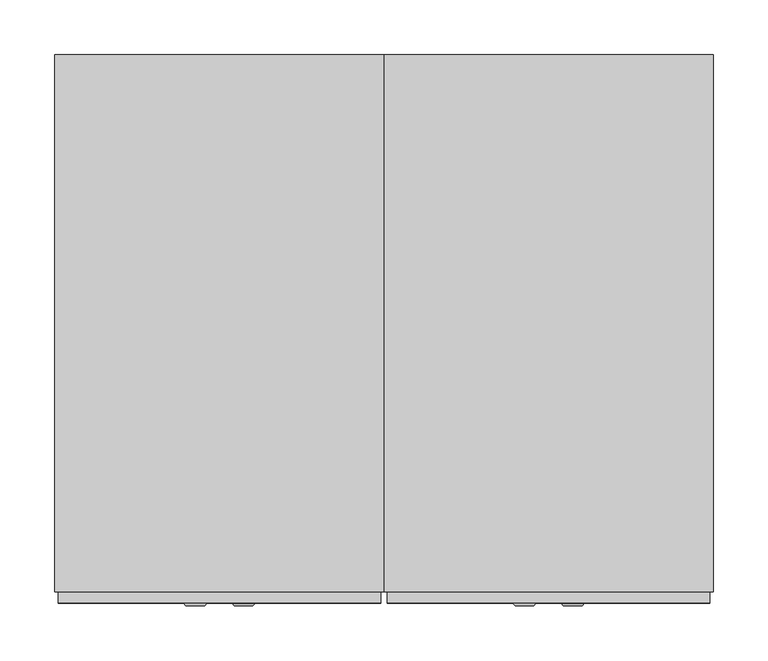
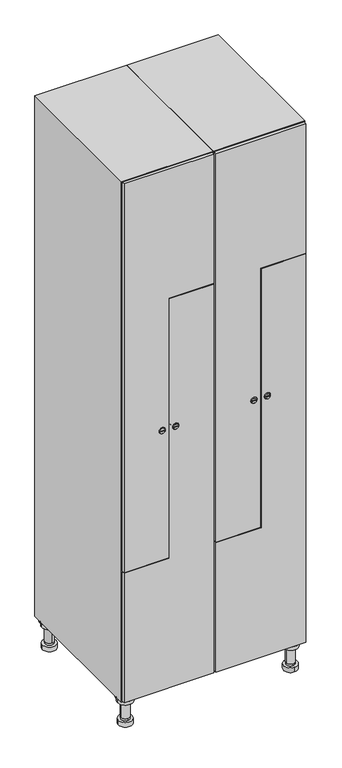
"""IFC4 building model written with IfcOpenShell, lengths in millimetres: furniture geometry."""

import ifcopenshell
import ifcopenshell.guid

model = None  # the IFC model being written
_history = None  # IfcOwnerHistory: only IFC2X3 demands one
_inside = {}  # id of a spatial element -> (the spatial element, [elements in it])
_under = {}  # id of a project, library or spatial element -> (it, [spatial elements below it])
_declared = {}  # id of a project -> (the project, [libraries it declares])
_typed = {}  # id of a type object -> (the type object, [elements of that type])
_made_of = {}  # id of a material, layer set ... -> (it, [elements and type objects made of it])


def new_model(schema):
    """Start an empty IFC model of exactly this schema.

    Asked for "IFC4X3", IfcOpenShell would pick the latest addendum, in which some entities
    have other attributes; the version numbers below select the first issue.
    IFC2X3 requires an IfcOwnerHistory on every rooted entity: one is made here for all.
    """
    global model, _history
    if schema == "IFC4X3":
        model = ifcopenshell.file(schema_version=(4, 3, 0, 0))
    else:
        model = ifcopenshell.file(schema=schema)
    _inside.clear()
    _under.clear()
    _declared.clear()
    _typed.clear()
    _made_of.clear()
    _history = None
    if model.schema == "IFC2X3":
        org = make("IfcOrganization", Name="unknown")
        user = make(
            "IfcPersonAndOrganization",
            ThePerson=make("IfcPerson", FamilyName="unknown"),
            TheOrganization=org,
        )
        app = make(
            "IfcApplication",
            ApplicationDeveloper=org,
            Version="unknown",
            ApplicationFullName="unknown",
            ApplicationIdentifier="unknown",
        )
        _history = make(
            "IfcOwnerHistory",
            OwningUser=user,
            OwningApplication=app,
            ChangeAction="ADDED",
            CreationDate=0,
        )
    return model


def make(cls, **values):
    """One entity of the class cls with the attributes given. An attribute that is None is left unset."""
    return model.create_entity(
        cls, **{name: value for name, value in values.items() if value is not None}
    )


def rooted(cls, **values):
    """An entity with a GlobalId (a new one), such as an element, a storey or a relation."""
    return make(cls, GlobalId=ifcopenshell.guid.new(), OwnerHistory=_history, **values)


def si_unit(unit_type, name, prefix=None):
    """IfcSIUnit, for example si_unit("LENGTHUNIT", "METRE", prefix="MILLI")."""
    return make("IfcSIUnit", UnitType=unit_type, Prefix=prefix, Name=name)


def assignment(units):
    """IfcUnitAssignment: the units of a project."""
    return None if units is None else make("IfcUnitAssignment", Units=units)


def point(xyz):
    """IfcCartesianPoint."""
    return None if xyz is None else make("IfcCartesianPoint", Coordinates=xyz)


def direction(xyz):
    """IfcDirection."""
    return None if xyz is None else make("IfcDirection", DirectionRatios=xyz)


def frame(location, z_axis=None, x_axis=None):
    """IfcAxis2Placement3D, a coordinate frame: its origin and axes. An axis left out is left unset."""
    return make(
        "IfcAxis2Placement3D",
        Location=point(location),
        Axis=direction(z_axis),
        RefDirection=direction(x_axis),
    )


def frame_2d(location, x_axis=None):
    """IfcAxis2Placement2D, a coordinate frame in the plane: its origin and x axis."""
    return make(
        "IfcAxis2Placement2D", Location=point(location), RefDirection=direction(x_axis)
    )


def origin():
    """The frame at (0, 0, 0) with its axes left unset."""
    return frame((0.0, 0.0, 0.0))


def place(relative_to, where):
    """IfcLocalPlacement: puts the frame where relative to a parent placement (None: the world)."""
    return make(
        "IfcLocalPlacement", PlacementRelTo=relative_to, RelativePlacement=where
    )


def context(
    kind, dimensions, precision=None, world=None, true_north=None, identifier=None
):
    """IfcGeometricRepresentationContext, for example the 3D "Model" context."""
    return make(
        "IfcGeometricRepresentationContext",
        ContextIdentifier=identifier,
        ContextType=kind,
        CoordinateSpaceDimension=dimensions,
        Precision=precision,
        WorldCoordinateSystem=world,
        TrueNorth=true_north,
    )


def project(units=None, contexts=None):
    """IfcProject with its units and contexts."""
    return rooted(
        "IfcProject",
        Name="project",
        RepresentationContexts=contexts,
        UnitsInContext=assignment(units),
    )


def spatial(cls, under=None, at=None, **own):
    """A site, building, storey or space (cls), placed at a placement, below another one or the project."""
    s = rooted(cls, ObjectPlacement=at, **own)
    if under is not None:
        _under.setdefault(under.id(), (under, []))[1].append(s)
    return s


def polyline(points):
    """IfcPolyline through the points."""
    return make("IfcPolyline", Points=[point(p) for p in points])


def circle_curve(where, radius):
    """IfcCircle in the frame where."""
    return make("IfcCircle", Position=where, Radius=radius)


def trimmed(basis, trim1, trim2, sense, master):
    """IfcTrimmedCurve: the piece of a basis curve between two trims."""
    return make(
        "IfcTrimmedCurve",
        BasisCurve=basis,
        Trim1=trim1,
        Trim2=trim2,
        SenseAgreement=sense,
        MasterRepresentation=master,
    )


def segment(curve, same_sense, transition):
    """IfcCompositeCurveSegment."""
    return make(
        "IfcCompositeCurveSegment",
        Transition=transition,
        SameSense=same_sense,
        ParentCurve=curve,
    )


def composite_curve(segments, self_intersect=None):
    """IfcCompositeCurve: segments joined end to end."""
    return make("IfcCompositeCurve", Segments=segments, SelfIntersect=self_intersect)


def outline(outer, holes=None, kind="AREA"):
    """IfcArbitraryClosedProfileDef: a profile drawn as a closed curve; with holes, ...WithVoids."""
    if holes is None:
        return make("IfcArbitraryClosedProfileDef", ProfileType=kind, OuterCurve=outer)
    return make(
        "IfcArbitraryProfileDefWithVoids",
        ProfileType=kind,
        OuterCurve=outer,
        InnerCurves=holes,
    )


def extrude(swept, where, along, depth):
    """IfcExtrudedAreaSolid: the profile swept, set in the frame where, extruded along a direction by depth."""
    return make(
        "IfcExtrudedAreaSolid",
        SweptArea=swept,
        Position=where,
        ExtrudedDirection=direction(along),
        Depth=depth,
    )


def faces_of(points, faces, orient=None, outer=None):
    """IfcFace entities. A face is a list of loops; a loop is a list of indices into points, from 0.

    orient and outer hold one flag for each loop. By default every Orientation is true, the
    first loop of a face is its IfcFaceOuterBound and the others are IfcFaceBound.
    """
    made = []
    for i, loops in enumerate(faces):
        bounds = []
        for j, loop in enumerate(loops):
            is_outer = j == 0 if outer is None else outer[i][j]
            bounds.append(
                make(
                    "IfcFaceOuterBound" if is_outer else "IfcFaceBound",
                    Bound=make("IfcPolyLoop", Polygon=[points[k] for k in loop]),
                    Orientation=True if orient is None else orient[i][j],
                )
            )
        made.append(make("IfcFace", Bounds=bounds))
    return made


def faceted_brep(points, faces, orient=None, outer=None, voids=None):
    """IfcFacetedBrep: a solid bounded by flat faces; with voids (closed shells), ...WithVoids."""
    shared = [point(p) for p in points]
    hull = make("IfcClosedShell", CfsFaces=faces_of(shared, faces, orient, outer))
    if voids is None:
        return make("IfcFacetedBrep", Outer=hull)
    return make(
        "IfcFacetedBrepWithVoids",
        Outer=hull,
        Voids=[
            make(cls, CfsFaces=faces_of(shared, fs, o, b)) for cls, fs, o, b in voids
        ],
    )


def shape(context_of_items, identifier, shape_type, items):
    """IfcShapeRepresentation: the items that make up one representation, for example the "Body"."""
    return make(
        "IfcShapeRepresentation",
        ContextOfItems=context_of_items,
        RepresentationIdentifier=identifier,
        RepresentationType=shape_type,
        Items=items,
    )


def source(mapping_origin, context_of_items, identifier, shape_type, items):
    """IfcRepresentationMap: a shape defined once, which mapped items show again and again."""
    return make(
        "IfcRepresentationMap",
        MappingOrigin=mapping_origin,
        MappedRepresentation=shape(context_of_items, identifier, shape_type, items),
    )


def transform(
    local_origin,
    x_axis=None,
    y_axis=None,
    z_axis=None,
    scale=None,
    scale2=None,
    scale3=None,
    uniform=True,
):
    """IfcCartesianTransformationOperator3D, or its non-uniform kind. x_axis, y_axis, z_axis: its Axis1, 2, 3."""
    if uniform:
        return make(
            "IfcCartesianTransformationOperator3D",
            Axis1=direction(x_axis),
            Axis2=direction(y_axis),
            LocalOrigin=point(local_origin),
            Scale=scale,
            Axis3=direction(z_axis),
        )
    return make(
        "IfcCartesianTransformationOperator3DnonUniform",
        Axis1=direction(x_axis),
        Axis2=direction(y_axis),
        LocalOrigin=point(local_origin),
        Scale=scale,
        Axis3=direction(z_axis),
        Scale2=scale2,
        Scale3=scale3,
    )


def mapped(mapping_source, mapping_target):
    """IfcMappedItem: shows the shape of a source again, moved by a transform."""
    return make(
        "IfcMappedItem", MappingSource=mapping_source, MappingTarget=mapping_target
    )


def made_of(thing, what):
    """Note that an element or type object is made of a material, layer set ...; save() writes the relation."""
    if what is not None:
        _made_of.setdefault(what.id(), (what, []))[1].append(thing)
    return thing


def element(
    cls,
    number,
    at=None,
    inside=None,
    cuts=None,
    type_object=None,
    material=None,
    context=None,
    identifier="Body",
    shape_type=None,
    held_by="IfcProductDefinitionShape",
    body=None,
    shapes=None,
    **own,
):
    """One element of the class cls, such as IfcWall. Its Tag is "e" and its number.

    at: its placement. inside: the storey or other place that contains it. cuts: it is an
    opening in that element (IfcRelVoidsElement). A single representation is given by context,
    identifier, shape_type and body (its items); several are given by shapes. held_by: the class
    of the entity that holds the representations. save() writes the other relations.
    """
    e = rooted(cls, Tag="e%d" % number, ObjectPlacement=at, **own)
    if body is not None:
        shapes = [shape(context, identifier, shape_type, body)]
    if shapes is not None:
        e.Representation = make(held_by, Representations=shapes)
    if inside is not None:
        _inside.setdefault(inside.id(), (inside, []))[1].append(e)
    if cuts is not None:
        rooted(
            "IfcRelVoidsElement", RelatingBuildingElement=cuts, RelatedOpeningElement=e
        )
    if type_object is not None:
        _typed.setdefault(type_object.id(), (type_object, []))[1].append(e)
    return made_of(e, material)


def aggregate(whole, parts):
    """IfcRelAggregates: a whole, such as a stair, and the parts it consists of."""
    return rooted("IfcRelAggregates", RelatingObject=whole, RelatedObjects=parts)


def save(model, path):
    """Write the relations noted so far, then the file.

    IfcRelAggregates (storeys below a building ...), IfcRelContainedInSpatialStructure (elements
    in a storey), IfcRelDefinesByType, IfcRelAssociatesMaterial and IfcRelDeclares: one each for
    every whole, place, type object, material and project.
    """
    for whole, parts in _under.values():
        aggregate(whole, parts)
    for where, things in _inside.values():
        rooted(
            "IfcRelContainedInSpatialStructure",
            RelatedElements=things,
            RelatingStructure=where,
        )
    for kind, things in _typed.values():
        rooted("IfcRelDefinesByType", RelatedObjects=things, RelatingType=kind)
    for what, things in _made_of.values():
        rooted("IfcRelAssociatesMaterial", RelatedObjects=things, RelatingMaterial=what)
    for by, libraries in _declared.values():
        rooted("IfcRelDeclares", RelatingContext=by, RelatedDefinitions=libraries)
    model.write(path)


def plane_surface(at):
    """IfcPlane: the flat surface through the origin of the frame at, square to its z axis."""
    return make("IfcPlane", Position=at)


def cylinder_surface(at, radius):
    """IfcCylindricalSurface: all points at the distance radius from the z axis of the frame at."""
    return make("IfcCylindricalSurface", Position=at, Radius=radius)


def revolved_surface(curve, axis_point, axis_direction):
    """IfcSurfaceOfRevolution: the curve turned about the line through axis_point along axis_direction."""
    return make(
        "IfcSurfaceOfRevolution",
        SweptCurve=make("IfcArbitraryOpenProfileDef", ProfileType="CURVE", Curve=curve),
        AxisPosition=make("IfcAxis1Placement", Location=point(axis_point), Axis=direction(axis_direction)),
    )


def advanced_brep(points, edges, surfaces, faces):
    """IfcAdvancedBrep: a solid bounded by faces that lie on surfaces and meet in shared edges.

    An edge is (start, end): straight between two places in points (the first is 0);
    or (start, end, curve); or (start, end, curve, False) where it runs against its curve.
    A face is (place in surfaces, loops), or (place, loops, False) where it looks against
    its surface's normal. A loop lists edges by number (the first is 1), with a minus sign
    where the edge is run from its end to its start. The first loop is the outer one.
    """
    corners = [point(p) for p in points]
    vertices = [make("IfcVertexPoint", VertexGeometry=c) for c in corners]
    made = []
    for start, end, *more in edges:
        made.append(
            make(
                "IfcEdgeCurve",
                EdgeStart=vertices[start],
                EdgeEnd=vertices[end],
                EdgeGeometry=more[0] if more else make("IfcPolyline", Points=[corners[start], corners[end]]),
                SameSense=more[1] if len(more) > 1 else True,
            )
        )
    hull = []
    for where, loops, *sense in faces:
        bounds = []
        for j, loop in enumerate(loops):
            ring = [make("IfcOrientedEdge", EdgeElement=made[abs(k) - 1], Orientation=k > 0) for k in loop]
            bounds.append(
                make(
                    "IfcFaceOuterBound" if j == 0 else "IfcFaceBound",
                    Bound=make("IfcEdgeLoop", EdgeList=ring),
                    Orientation=True,
                )
            )
        hull.append(make("IfcAdvancedFace", Bounds=bounds, FaceSurface=surfaces[where], SameSense=sense[0] if sense else True))
    return make("IfcAdvancedBrep", Outer=make("IfcClosedShell", CfsFaces=hull))


def furniture_0185c521(model_context):
    return source(origin(), model_context, "Body", "SolidModel", [
        advanced_brep(
        [(370.0, -201.0, 22.0), (370.0, -201.5, 16.0), (370.0, -228.5, 16.0), (370.0, -229.0, 22.0), (356.0, -215.0, 22.0), (384.0, -215.0, 22.0), (370.0, -192.5, 16.0), (370.0, -237.5, 16.0), (370.0, -192.5, 0.0), (370.0, -237.5, 0.0), (384.0, -215.0, 78.0), (356.0, -215.0, 78.0), (395.0, -215.0, 78.0), (345.0, -215.0, 78.0), (400.0, -215.0, 94.0), (340.0, -215.0, 94.0), (345.0, -215.0, 94.0), (395.0, -215.0, 94.0), (400.0, -215.0, 100.0), (340.0, -215.0, 100.0)],
        [
            (0, 1),
            (1, 2, circle_curve(frame((370.0, -215.0, 16.0), z_axis=(0.0, 0.0, 1.0), x_axis=(0.0, -1.0, 0.0)), 13.5)),
            (2, 3),
            (3, 4, circle_curve(frame((370.0, -215.0, 22.0), z_axis=(0.0, 0.0, -1.0), x_axis=(0.0, -1.0, 0.0)), 14.0)),
            (4, 0, circle_curve(frame((370.0, -215.0, 22.0), z_axis=(0.0, 0.0, -1.0), x_axis=(0.0, -1.0, 0.0)), 14.0)),
            (0, 5, circle_curve(frame((370.0, -215.0, 22.0), z_axis=(0.0, 0.0, -1.0), x_axis=(0.0, 1.0, 0.0)), 14.0)),
            (5, 3, circle_curve(frame((370.0, -215.0, 22.0), z_axis=(0.0, 0.0, -1.0), x_axis=(0.0, 1.0, 0.0)), 14.0)),
            (2, 1, circle_curve(frame((370.0, -215.0, 16.0), z_axis=(0.0, 0.0, 1.0), x_axis=(0.0, 1.0, 0.0)), 13.5)),
            (6, 7, circle_curve(frame((370.0, -215.0, 16.0), z_axis=(0.0, 0.0, 1.0), x_axis=(0.0, -1.0, 0.0)), 22.5)),
            (7, 6, circle_curve(frame((370.0, -215.0, 16.0), z_axis=(0.0, 0.0, 1.0), x_axis=(0.0, -1.0, 0.0)), 22.5)),
            (8, 9, circle_curve(frame((370.0, -215.0, 0.0), z_axis=(0.0, 0.0, -1.0), x_axis=(0.0, -1.0, 0.0)), 22.5)),
            (9, 8, circle_curve(frame((370.0, -215.0, 0.0), z_axis=(0.0, 0.0, -1.0), x_axis=(0.0, -1.0, 0.0)), 22.5)),
            (6, 8),
            (9, 7),
            (5, 10),
            (10, 11, circle_curve(frame((370.0, -215.0, 78.0), z_axis=(0.0, 0.0, -1.0), x_axis=(-1.0, 0.0, 0.0)), 14.0)),
            (11, 4),
            (11, 10, circle_curve(frame((370.0, -215.0, 78.0), z_axis=(0.0, 0.0, -1.0), x_axis=(-1.0, 0.0, 0.0)), 14.0)),
            (12, 13, circle_curve(frame((370.0, -215.0, 78.0), z_axis=(0.0, 0.0, -1.0), x_axis=(-1.0, 0.0, 0.0)), 25.0)),
            (13, 12, circle_curve(frame((370.0, -215.0, 78.0), z_axis=(0.0, 0.0, -1.0), x_axis=(-1.0, 0.0, 0.0)), 25.0)),
            (14, 15, circle_curve(frame((370.0, -215.0, 94.0), z_axis=(0.0, 0.0, -1.0), x_axis=(-1.0, 0.0, 0.0)), 30.0)),
            (15, 14, circle_curve(frame((370.0, -215.0, 94.0), z_axis=(0.0, 0.0, -1.0), x_axis=(-1.0, 0.0, 0.0)), 30.0)),
            (16, 17, circle_curve(frame((370.0, -215.0, 94.0), z_axis=(0.0, 0.0, 1.0), x_axis=(-1.0, 0.0, 0.0)), 25.0)),
            (17, 16, circle_curve(frame((370.0, -215.0, 94.0), z_axis=(0.0, 0.0, 1.0), x_axis=(-1.0, 0.0, 0.0)), 25.0)),
            (18, 19, circle_curve(frame((370.0, -215.0, 100.0), z_axis=(0.0, 0.0, 1.0), x_axis=(-1.0, 0.0, 0.0)), 30.0)),
            (19, 18, circle_curve(frame((370.0, -215.0, 100.0), z_axis=(0.0, 0.0, 1.0), x_axis=(-1.0, 0.0, 0.0)), 30.0)),
            (14, 18),
            (19, 15),
            (12, 17),
            (16, 13),
        ],
        [
            revolved_surface(polyline([(370.0, -201.5, 16.0), (370.0, -201.0, 22.0)]), (370.0, -215.0, -146.0), (0.0, 0.0, 1.0)),
            plane_surface(frame((370.0, 0.0, 16.0), z_axis=(0.0, 0.0, 1.0), x_axis=(0.0, -1.0, 0.0))),
            plane_surface(frame((370.0, 0.0, 0.0), z_axis=(0.0, 0.0, -1.0), x_axis=(0.0, -1.0, 0.0))),
            cylinder_surface(frame((370.0, -215.0, 16.0), z_axis=(0.0, 0.0, 1.0), x_axis=(0.0, -1.0, 0.0)), 22.5),
            cylinder_surface(frame((370.0, -215.0, 22.0), z_axis=(0.0, 0.0, -1.0), x_axis=(-1.0, 0.0, 0.0)), 14.0),
            plane_surface(frame((370.0, 0.0, 78.0), z_axis=(0.0, 0.0, -1.0), x_axis=(0.0, -1.0, 0.0))),
            plane_surface(frame((370.0, 0.0, 94.0), z_axis=(0.0, 0.0, -1.0), x_axis=(0.0, -1.0, 0.0))),
            plane_surface(frame((370.0, 0.0, 100.0), z_axis=(0.0, 0.0, 1.0), x_axis=(0.0, -1.0, 0.0))),
            cylinder_surface(frame((370.0, -215.0, 94.0), z_axis=(0.0, 0.0, -1.0), x_axis=(-1.0, 0.0, 0.0)), 30.0),
            cylinder_surface(frame((370.0, -215.0, 78.0), z_axis=(0.0, 0.0, -1.0), x_axis=(-1.0, 0.0, 0.0)), 25.0),
        ],
        [
            (0, [[1, 2, 3, 4, 5]]),
            (0, [[-1, 6, 7, -3, 8]]),
            (1, [[9, 10], [-2, -8]]),
            (2, [[11, 12]]),
            (3, [[-9, 13, -12, 14]]),
            (3, [[-10, -14, -11, -13]]),
            (4, [[15, 16, 17, -4, -7]]),
            (4, [[-15, -6, -5, -17, 18]]),
            (5, [[19, 20], [-16, -18]]),
            (6, [[21, 22], [23, 24]]),
            (7, [[25, 26]]),
            (8, [[-21, 27, -26, 28]]),
            (8, [[-22, -28, -25, -27]]),
            (9, [[-19, 29, -23, 30]]),
            (9, [[-20, -30, -24, -29]]),
        ],
    ),
        advanced_brep(
        [(-170.0, -201.0, 22.0), (-170.0, -201.5, 16.0), (-170.0, -228.5, 16.0), (-170.0, -229.0, 22.0), (-184.0, -215.0, 22.0), (-156.0, -215.0, 22.0), (-147.5, -215.0, 0.0), (-192.5, -215.0, 0.0), (-147.5, -215.0, 16.0), (-192.5, -215.0, 16.0), (-156.0, -215.0, 78.0), (-184.0, -215.0, 78.0), (-145.0, -215.0, 78.0), (-195.0, -215.0, 78.0), (-140.0, -215.0, 94.0), (-200.0, -215.0, 94.0), (-195.0, -215.0, 94.0), (-145.0, -215.0, 94.0), (-140.0, -215.0, 100.0), (-200.0, -215.0, 100.0)],
        [
            (0, 1),
            (1, 2, circle_curve(frame((-170.0, -215.0, 16.0), z_axis=(0.0, 0.0, 1.0), x_axis=(0.0, -1.0, 0.0)), 13.5)),
            (2, 3),
            (3, 4, circle_curve(frame((-170.0, -215.0, 22.0), z_axis=(0.0, 0.0, -1.0), x_axis=(0.0, -1.0, 0.0)), 14.0)),
            (4, 0, circle_curve(frame((-170.0, -215.0, 22.0), z_axis=(0.0, 0.0, -1.0), x_axis=(0.0, -1.0, 0.0)), 14.0)),
            (0, 5, circle_curve(frame((-170.0, -215.0, 22.0), z_axis=(0.0, 0.0, -1.0), x_axis=(0.0, 1.0, 0.0)), 14.0)),
            (5, 3, circle_curve(frame((-170.0, -215.0, 22.0), z_axis=(0.0, 0.0, -1.0), x_axis=(0.0, 1.0, 0.0)), 14.0)),
            (2, 1, circle_curve(frame((-170.0, -215.0, 16.0), z_axis=(0.0, 0.0, 1.0), x_axis=(0.0, 1.0, 0.0)), 13.5)),
            (6, 7, circle_curve(frame((-170.0, -215.0, 0.0), z_axis=(0.0, 0.0, -1.0), x_axis=(-1.0, 0.0, 0.0)), 22.5)),
            (7, 6, circle_curve(frame((-170.0, -215.0, 0.0), z_axis=(0.0, 0.0, -1.0), x_axis=(-1.0, 0.0, 0.0)), 22.5)),
            (8, 9, circle_curve(frame((-170.0, -215.0, 16.0), z_axis=(0.0, 0.0, 1.0), x_axis=(-1.0, 0.0, 0.0)), 22.5)),
            (9, 8, circle_curve(frame((-170.0, -215.0, 16.0), z_axis=(0.0, 0.0, 1.0), x_axis=(-1.0, 0.0, 0.0)), 22.5)),
            (6, 8),
            (9, 7),
            (5, 10),
            (10, 11, circle_curve(frame((-170.0, -215.0, 78.0), z_axis=(0.0, 0.0, -1.0), x_axis=(-1.0, 0.0, 0.0)), 14.0)),
            (11, 4),
            (11, 10, circle_curve(frame((-170.0, -215.0, 78.0), z_axis=(0.0, 0.0, -1.0), x_axis=(-1.0, 0.0, 0.0)), 14.0)),
            (12, 13, circle_curve(frame((-170.0, -215.0, 78.0), z_axis=(0.0, 0.0, -1.0), x_axis=(-1.0, 0.0, 0.0)), 25.0)),
            (13, 12, circle_curve(frame((-170.0, -215.0, 78.0), z_axis=(0.0, 0.0, -1.0), x_axis=(-1.0, 0.0, 0.0)), 25.0)),
            (14, 15, circle_curve(frame((-170.0, -215.0, 94.0), z_axis=(0.0, 0.0, -1.0), x_axis=(-1.0, 0.0, 0.0)), 30.0)),
            (15, 14, circle_curve(frame((-170.0, -215.0, 94.0), z_axis=(0.0, 0.0, -1.0), x_axis=(-1.0, 0.0, 0.0)), 30.0)),
            (16, 17, circle_curve(frame((-170.0, -215.0, 94.0), z_axis=(0.0, 0.0, 1.0), x_axis=(-1.0, 0.0, 0.0)), 25.0)),
            (17, 16, circle_curve(frame((-170.0, -215.0, 94.0), z_axis=(0.0, 0.0, 1.0), x_axis=(-1.0, 0.0, 0.0)), 25.0)),
            (18, 19, circle_curve(frame((-170.0, -215.0, 100.0), z_axis=(0.0, 0.0, 1.0), x_axis=(-1.0, 0.0, 0.0)), 30.0)),
            (19, 18, circle_curve(frame((-170.0, -215.0, 100.0), z_axis=(0.0, 0.0, 1.0), x_axis=(-1.0, 0.0, 0.0)), 30.0)),
            (14, 18),
            (19, 15),
            (12, 17),
            (16, 13),
        ],
        [
            revolved_surface(polyline([(-170.0, -201.5, 16.0), (-170.0, -201.0, 22.0)]), (-170.0, -215.0, -146.0), (0.0, 0.0, 1.0)),
            plane_surface(frame((-170.0, 0.0, 0.0), z_axis=(0.0, 0.0, -1.0), x_axis=(0.0, -1.0, 0.0))),
            plane_surface(frame((-170.0, 0.0, 16.0), z_axis=(0.0, 0.0, 1.0), x_axis=(0.0, -1.0, 0.0))),
            cylinder_surface(frame((-170.0, -215.0, 0.0), z_axis=(0.0, 0.0, -1.0), x_axis=(-1.0, 0.0, 0.0)), 22.5),
            cylinder_surface(frame((-170.0, -215.0, 22.0), z_axis=(0.0, 0.0, -1.0), x_axis=(-1.0, 0.0, 0.0)), 14.0),
            plane_surface(frame((-170.0, 0.0, 78.0), z_axis=(0.0, 0.0, -1.0), x_axis=(0.0, -1.0, 0.0))),
            plane_surface(frame((-170.0, 0.0, 94.0), z_axis=(0.0, 0.0, -1.0), x_axis=(0.0, -1.0, 0.0))),
            plane_surface(frame((-170.0, 0.0, 100.0), z_axis=(0.0, 0.0, 1.0), x_axis=(0.0, -1.0, 0.0))),
            cylinder_surface(frame((-170.0, -215.0, 94.0), z_axis=(0.0, 0.0, -1.0), x_axis=(-1.0, 0.0, 0.0)), 30.0),
            cylinder_surface(frame((-170.0, -215.0, 78.0), z_axis=(0.0, 0.0, -1.0), x_axis=(-1.0, 0.0, 0.0)), 25.0),
        ],
        [
            (0, [[1, 2, 3, 4, 5]]),
            (0, [[-1, 6, 7, -3, 8]]),
            (1, [[9, 10]]),
            (2, [[11, 12], [-2, -8]]),
            (3, [[-9, 13, -12, 14]]),
            (3, [[-10, -14, -11, -13]]),
            (4, [[15, 16, 17, -4, -7]]),
            (4, [[-15, -6, -5, -17, 18]]),
            (5, [[19, 20], [-16, -18]]),
            (6, [[21, 22], [23, 24]]),
            (7, [[25, 26]]),
            (8, [[-21, 27, -26, 28]]),
            (8, [[-22, -28, -25, -27]]),
            (9, [[-19, 29, -23, 30]]),
            (9, [[-20, -30, -24, -29]]),
        ],
    ),
        advanced_brep(
        [(383.5, 215.0, 16.0), (384.0, 215.0, 22.0), (356.0, 215.0, 22.0), (356.5, 215.0, 16.0), (392.5, 215.0, 0.0), (347.5, 215.0, 0.0), (392.5, 215.0, 16.0), (347.5, 215.0, 16.0), (384.0, 215.0, 78.0), (356.0, 215.0, 78.0), (395.0, 215.0, 78.0), (345.0, 215.0, 78.0), (400.0, 215.0, 94.0), (340.0, 215.0, 94.0), (345.0, 215.0, 94.0), (395.0, 215.0, 94.0), (400.0, 215.0, 100.0), (340.0, 215.0, 100.0)],
        [
            (0, 1),
            (1, 2, circle_curve(frame((370.0, 215.0, 22.0), z_axis=(0.0, 0.0, -1.0), x_axis=(-1.0, 0.0, 0.0)), 14.0)),
            (2, 3),
            (3, 0, circle_curve(frame((370.0, 215.0, 16.0), z_axis=(0.0, 0.0, 1.0), x_axis=(-1.0, 0.0, 0.0)), 13.5)),
            (0, 3, circle_curve(frame((370.0, 215.0, 16.0), z_axis=(0.0, 0.0, 1.0), x_axis=(1.0, 0.0, 0.0)), 13.5)),
            (2, 1, circle_curve(frame((370.0, 215.0, 22.0), z_axis=(0.0, 0.0, -1.0), x_axis=(1.0, 0.0, 0.0)), 14.0)),
            (4, 5, circle_curve(frame((370.0, 215.0, 0.0), z_axis=(0.0, 0.0, -1.0), x_axis=(-1.0, 0.0, 0.0)), 22.5)),
            (5, 4, circle_curve(frame((370.0, 215.0, 0.0), z_axis=(0.0, 0.0, -1.0), x_axis=(-1.0, 0.0, 0.0)), 22.5)),
            (6, 7, circle_curve(frame((370.0, 215.0, 16.0), z_axis=(0.0, 0.0, 1.0), x_axis=(-1.0, 0.0, 0.0)), 22.5)),
            (7, 6, circle_curve(frame((370.0, 215.0, 16.0), z_axis=(0.0, 0.0, 1.0), x_axis=(-1.0, 0.0, 0.0)), 22.5)),
            (4, 6),
            (7, 5),
            (1, 8),
            (8, 9, circle_curve(frame((370.0, 215.0, 78.0), z_axis=(0.0, 0.0, -1.0), x_axis=(-1.0, 0.0, 0.0)), 14.0)),
            (9, 2),
            (9, 8, circle_curve(frame((370.0, 215.0, 78.0), z_axis=(0.0, 0.0, -1.0), x_axis=(-1.0, 0.0, 0.0)), 14.0)),
            (10, 11, circle_curve(frame((370.0, 215.0, 78.0), z_axis=(0.0, 0.0, -1.0), x_axis=(-1.0, 0.0, 0.0)), 25.0)),
            (11, 10, circle_curve(frame((370.0, 215.0, 78.0), z_axis=(0.0, 0.0, -1.0), x_axis=(-1.0, 0.0, 0.0)), 25.0)),
            (12, 13, circle_curve(frame((370.0, 215.0, 94.0), z_axis=(0.0, 0.0, -1.0), x_axis=(-1.0, 0.0, 0.0)), 30.0)),
            (13, 12, circle_curve(frame((370.0, 215.0, 94.0), z_axis=(0.0, 0.0, -1.0), x_axis=(-1.0, 0.0, 0.0)), 30.0)),
            (14, 15, circle_curve(frame((370.0, 215.0, 94.0), z_axis=(0.0, 0.0, 1.0), x_axis=(-1.0, 0.0, 0.0)), 25.0)),
            (15, 14, circle_curve(frame((370.0, 215.0, 94.0), z_axis=(0.0, 0.0, 1.0), x_axis=(-1.0, 0.0, 0.0)), 25.0)),
            (16, 17, circle_curve(frame((370.0, 215.0, 100.0), z_axis=(0.0, 0.0, 1.0), x_axis=(-1.0, 0.0, 0.0)), 30.0)),
            (17, 16, circle_curve(frame((370.0, 215.0, 100.0), z_axis=(0.0, 0.0, 1.0), x_axis=(-1.0, 0.0, 0.0)), 30.0)),
            (12, 16),
            (17, 13),
            (10, 15),
            (14, 11),
        ],
        [
            revolved_surface(polyline([(383.5, 215.0, 16.0), (384.0, 215.0, 22.0)]), (370.0, 215.0, -146.0), (0.0, 0.0, 1.0)),
            plane_surface(frame((370.0, 0.0, 0.0), z_axis=(0.0, 0.0, -1.0), x_axis=(0.0, -1.0, 0.0))),
            plane_surface(frame((370.0, 0.0, 16.0), z_axis=(0.0, 0.0, 1.0), x_axis=(0.0, -1.0, 0.0))),
            cylinder_surface(frame((370.0, 215.0, 0.0), z_axis=(0.0, 0.0, -1.0), x_axis=(-1.0, 0.0, 0.0)), 22.5),
            cylinder_surface(frame((370.0, 215.0, 22.0), z_axis=(0.0, 0.0, -1.0), x_axis=(-1.0, 0.0, 0.0)), 14.0),
            plane_surface(frame((370.0, 0.0, 78.0), z_axis=(0.0, 0.0, -1.0), x_axis=(0.0, -1.0, 0.0))),
            plane_surface(frame((370.0, 0.0, 94.0), z_axis=(0.0, 0.0, -1.0), x_axis=(0.0, -1.0, 0.0))),
            plane_surface(frame((370.0, 0.0, 100.0), z_axis=(0.0, 0.0, 1.0), x_axis=(0.0, -1.0, 0.0))),
            cylinder_surface(frame((370.0, 215.0, 94.0), z_axis=(0.0, 0.0, -1.0), x_axis=(-1.0, 0.0, 0.0)), 30.0),
            cylinder_surface(frame((370.0, 215.0, 78.0), z_axis=(0.0, 0.0, -1.0), x_axis=(-1.0, 0.0, 0.0)), 25.0),
        ],
        [
            (0, [[1, 2, 3, 4]]),
            (0, [[-1, 5, -3, 6]]),
            (1, [[7, 8]]),
            (2, [[9, 10], [-4, -5]]),
            (3, [[-7, 11, -10, 12]]),
            (3, [[-8, -12, -9, -11]]),
            (4, [[13, 14, 15, -2]]),
            (4, [[-13, -6, -15, 16]]),
            (5, [[17, 18], [-14, -16]]),
            (6, [[19, 20], [21, 22]]),
            (7, [[23, 24]]),
            (8, [[-19, 25, -24, 26]]),
            (8, [[-20, -26, -23, -25]]),
            (9, [[-17, 27, -21, 28]]),
            (9, [[-18, -28, -22, -27]]),
        ],
    ),
        advanced_brep(
        [(-156.5, 215.0, 16.0), (-156.0, 215.0, 22.0), (-170.0, 201.0, 22.0), (-184.0, 215.0, 22.0), (-183.5, 215.0, 16.0), (-170.0, 229.0, 22.0), (-147.5, 215.0, 0.0), (-192.5, 215.0, 0.0), (-147.5, 215.0, 16.0), (-192.5, 215.0, 16.0), (-170.0, 229.0, 78.0), (-170.0, 201.0, 78.0), (-145.0, 215.0, 78.0), (-195.0, 215.0, 78.0), (-140.0, 215.0, 94.0), (-200.0, 215.0, 94.0), (-195.0, 215.0, 94.0), (-145.0, 215.0, 94.0), (-140.0, 215.0, 100.0), (-200.0, 215.0, 100.0)],
        [
            (0, 1),
            (1, 2, circle_curve(frame((-170.0, 215.0, 22.0), z_axis=(0.0, 0.0, -1.0), x_axis=(-1.0, 0.0, 0.0)), 14.0)),
            (2, 3, circle_curve(frame((-170.0, 215.0, 22.0), z_axis=(0.0, 0.0, -1.0), x_axis=(-1.0, 0.0, 0.0)), 14.0)),
            (3, 4),
            (4, 0, circle_curve(frame((-170.0, 215.0, 16.0), z_axis=(0.0, 0.0, 1.0), x_axis=(-1.0, 0.0, 0.0)), 13.5)),
            (0, 4, circle_curve(frame((-170.0, 215.0, 16.0), z_axis=(0.0, 0.0, 1.0), x_axis=(1.0, 0.0, 0.0)), 13.5)),
            (3, 5, circle_curve(frame((-170.0, 215.0, 22.0), z_axis=(0.0, 0.0, -1.0), x_axis=(1.0, 0.0, 0.0)), 14.0)),
            (5, 1, circle_curve(frame((-170.0, 215.0, 22.0), z_axis=(0.0, 0.0, -1.0), x_axis=(1.0, 0.0, 0.0)), 14.0)),
            (6, 7, circle_curve(frame((-170.0, 215.0, 0.0), z_axis=(0.0, 0.0, -1.0), x_axis=(-1.0, 0.0, 0.0)), 22.5)),
            (7, 6, circle_curve(frame((-170.0, 215.0, 0.0), z_axis=(0.0, 0.0, -1.0), x_axis=(-1.0, 0.0, 0.0)), 22.5)),
            (8, 9, circle_curve(frame((-170.0, 215.0, 16.0), z_axis=(0.0, 0.0, 1.0), x_axis=(-1.0, 0.0, 0.0)), 22.5)),
            (9, 8, circle_curve(frame((-170.0, 215.0, 16.0), z_axis=(0.0, 0.0, 1.0), x_axis=(-1.0, 0.0, 0.0)), 22.5)),
            (6, 8),
            (9, 7),
            (10, 5),
            (2, 11),
            (11, 10, circle_curve(frame((-170.0, 215.0, 78.0), z_axis=(0.0, 0.0, -1.0), x_axis=(0.0, -1.0, 0.0)), 14.0)),
            (10, 11, circle_curve(frame((-170.0, 215.0, 78.0), z_axis=(0.0, 0.0, -1.0), x_axis=(0.0, -1.0, 0.0)), 14.0)),
            (12, 13, circle_curve(frame((-170.0, 215.0, 78.0), z_axis=(0.0, 0.0, -1.0), x_axis=(-1.0, 0.0, 0.0)), 25.0)),
            (13, 12, circle_curve(frame((-170.0, 215.0, 78.0), z_axis=(0.0, 0.0, -1.0), x_axis=(-1.0, 0.0, 0.0)), 25.0)),
            (14, 15, circle_curve(frame((-170.0, 215.0, 94.0), z_axis=(0.0, 0.0, -1.0), x_axis=(-1.0, 0.0, 0.0)), 30.0)),
            (15, 14, circle_curve(frame((-170.0, 215.0, 94.0), z_axis=(0.0, 0.0, -1.0), x_axis=(-1.0, 0.0, 0.0)), 30.0)),
            (16, 17, circle_curve(frame((-170.0, 215.0, 94.0), z_axis=(0.0, 0.0, 1.0), x_axis=(-1.0, 0.0, 0.0)), 25.0)),
            (17, 16, circle_curve(frame((-170.0, 215.0, 94.0), z_axis=(0.0, 0.0, 1.0), x_axis=(-1.0, 0.0, 0.0)), 25.0)),
            (18, 19, circle_curve(frame((-170.0, 215.0, 100.0), z_axis=(0.0, 0.0, 1.0), x_axis=(-1.0, 0.0, 0.0)), 30.0)),
            (19, 18, circle_curve(frame((-170.0, 215.0, 100.0), z_axis=(0.0, 0.0, 1.0), x_axis=(-1.0, 0.0, 0.0)), 30.0)),
            (14, 18),
            (19, 15),
            (12, 17),
            (16, 13),
        ],
        [
            revolved_surface(polyline([(-156.5, 215.0, 16.0), (-156.0, 215.0, 22.0)]), (-170.0, 215.0, -146.0), (0.0, 0.0, 1.0)),
            plane_surface(frame((-170.0, 0.0, 0.0), z_axis=(0.0, 0.0, -1.0), x_axis=(0.0, -1.0, 0.0))),
            plane_surface(frame((-170.0, 0.0, 16.0), z_axis=(0.0, 0.0, 1.0), x_axis=(0.0, -1.0, 0.0))),
            cylinder_surface(frame((-170.0, 215.0, 0.0), z_axis=(0.0, 0.0, -1.0), x_axis=(-1.0, 0.0, 0.0)), 22.5),
            cylinder_surface(frame((-170.0, 215.0, 78.0), z_axis=(0.0, 0.0, 1.0), x_axis=(0.0, -1.0, 0.0)), 14.0),
            plane_surface(frame((-170.0, 0.0, 78.0), z_axis=(0.0, 0.0, -1.0), x_axis=(0.0, -1.0, 0.0))),
            plane_surface(frame((-170.0, 0.0, 94.0), z_axis=(0.0, 0.0, -1.0), x_axis=(0.0, -1.0, 0.0))),
            plane_surface(frame((-170.0, 0.0, 100.0), z_axis=(0.0, 0.0, 1.0), x_axis=(0.0, -1.0, 0.0))),
            cylinder_surface(frame((-170.0, 215.0, 94.0), z_axis=(0.0, 0.0, -1.0), x_axis=(-1.0, 0.0, 0.0)), 30.0),
            cylinder_surface(frame((-170.0, 215.0, 78.0), z_axis=(0.0, 0.0, -1.0), x_axis=(-1.0, 0.0, 0.0)), 25.0),
        ],
        [
            (0, [[1, 2, 3, 4, 5]]),
            (0, [[-1, 6, -4, 7, 8]]),
            (1, [[9, 10]]),
            (2, [[11, 12], [-5, -6]]),
            (3, [[-9, 13, -12, 14]]),
            (3, [[-10, -14, -11, -13]]),
            (4, [[15, -7, -3, 16, 17]]),
            (4, [[-15, 18, -16, -2, -8]]),
            (5, [[19, 20], [-17, -18]]),
            (6, [[21, 22], [23, 24]]),
            (7, [[25, 26]]),
            (8, [[-21, 27, -26, 28]]),
            (8, [[-22, -28, -25, -27]]),
            (9, [[-19, 29, -23, 30]]),
            (9, [[-20, -30, -24, -29]]),
        ],
    ),
        extrude(outline(composite_curve([segment(trimmed(circle_curve(frame_2d((1000.0, 254.7989466)), 7.0), [point((993.0, 254.7989466))], [point((1007.0, 254.7989466))], False, "CARTESIAN"), True, "CONTINUOUS"), segment(polyline([(1007.0, 254.7989466), (1007.0, 226.7989466)]), True, "CONTINUOUS"), segment(trimmed(circle_curve(frame_2d((1000.0, 226.7989466)), 7.0), [point((1007.0, 226.7989466))], [point((993.0, 226.7989466))], False, "CARTESIAN"), True, "CONTINUOUS"), segment(polyline([(993.0, 226.7989466), (993.0, 254.7989466)]), True, "CONTINUOUS")], self_intersect=False)), frame((0.0, -245.0, 0.0), z_axis=(0.0, 1.0, 0.0), x_axis=(0.0, 0.0, 1.0)), (0.0, 0.0, 1.0), 2.0),
        advanced_brep(
        [(219.5, -257.2, 1000.0), (236.5, -257.2, 1000.0), (233.0, -257.2, 1001.25), (233.0, -257.2, 998.75), (223.0, -257.2, 998.75), (223.0, -257.2, 1001.25), (217.5, -255.0, 1000.0), (238.5, -255.0, 1000.0), (233.0, -255.0, 998.75), (233.0, -255.0, 1001.25), (223.0, -255.0, 1001.25), (223.0, -255.0, 998.75)],
        [
            (0, 1, circle_curve(frame((228.0, -257.2, 1000.0), z_axis=(0.0, -1.0, 0.0), x_axis=(-1.0, 0.0, 0.0)), 8.5)),
            (1, 0, circle_curve(frame((228.0, -257.2, 1000.0), z_axis=(0.0, -1.0, 0.0), x_axis=(1.0, 0.0, 0.0)), 8.5)),
            (2, 3),
            (3, 4),
            (4, 5),
            (5, 2),
            (6, 7, circle_curve(frame((228.0, -255.0, 1000.0), z_axis=(0.0, 1.0, 0.0), x_axis=(1.0, 0.0, 0.0)), 10.5)),
            (7, 6, circle_curve(frame((228.0, -255.0, 1000.0), z_axis=(0.0, 1.0, 0.0), x_axis=(-1.0, 0.0, 0.0)), 10.5)),
            (8, 9),
            (9, 10),
            (10, 11),
            (11, 8),
            (0, 6),
            (7, 1),
            (8, 3),
            (2, 9),
            (11, 4),
            (10, 5),
        ],
        [
            plane_surface(frame((228.0, -257.2, 1000.0), z_axis=(0.0, -1.0, 0.0), x_axis=(0.0, 0.0, -1.0))),
            plane_surface(frame((228.0, -255.0, 1000.0), z_axis=(0.0, 1.0, 0.0), x_axis=(0.0, 0.0, -1.0))),
            revolved_surface(polyline([(219.5, -257.2, 1000.0), (217.5, -255.0, 1000.0)]), (228.0, -266.55, 1000.0), (0.0, 1.0, 0.0)),
            revolved_surface(polyline([(236.5, -257.2, 1000.0), (238.5, -255.0, 1000.0)]), (228.0, -266.55, 1000.0), (0.0, 1.0, 0.0)),
            plane_surface(frame((233.0, -255.0, 1001.25), z_axis=(-1.0, 0.0, 0.0), x_axis=(0.0, -1.0, 0.0))),
            plane_surface(frame((233.0, -255.0, 998.75), z_axis=(0.0, 0.0, 1.0), x_axis=(0.0, -1.0, 0.0))),
            plane_surface(frame((223.0, -255.0, 998.75), z_axis=(1.0, 0.0, 0.0), x_axis=(0.0, -1.0, 0.0))),
            plane_surface(frame((223.0, -255.0, 1001.25), z_axis=(0.0, 0.0, -1.0), x_axis=(0.0, -1.0, 0.0))),
        ],
        [
            (0, [[1, 2], [3, 4, 5, 6]]),
            (1, [[7, 8], [9, 10, 11, 12]]),
            (2, [[-1, 13, -8, 14]]),
            (3, [[-2, -14, -7, -13]]),
            (4, [[15, -3, 16, -9]]),
            (5, [[-15, -12, 17, -4]]),
            (6, [[-17, -11, 18, -5]]),
            (7, [[-16, -6, -18, -10]]),
        ],
    ),
        extrude(outline(polyline([(1897.0, 103.0), (553.0, 103.0), (553.0, 248.5), (1450.0, 248.5), (1450.0, 397.0), (1897.0, 397.0), (1897.0, 103.0)])), frame((0.0, -255.0, 0.0), z_axis=(0.0, 1.0, 0.0), x_axis=(0.0, 0.0, 1.0)), (0.0, 0.0, 1.0), 10.0),
        extrude(outline(composite_curve([segment(trimmed(circle_curve(frame_2d((1000.0, 245.2010534)), 7.0), [point((1007.0, 245.2010534))], [point((993.0, 245.2010534))], False, "CARTESIAN"), True, "CONTINUOUS"), segment(polyline([(993.0, 245.2010534), (993.0, 273.2010534)]), True, "CONTINUOUS"), segment(trimmed(circle_curve(frame_2d((1000.0, 273.2010534)), 7.0), [point((993.0, 273.2010534))], [point((1007.0, 273.2010534))], False, "CARTESIAN"), True, "CONTINUOUS"), segment(polyline([(1007.0, 273.2010534), (1007.0, 245.2010534)]), True, "CONTINUOUS")], self_intersect=False)), frame((0.0, -245.0, 0.0), z_axis=(0.0, 1.0, 0.0), x_axis=(0.0, 0.0, 1.0)), (0.0, 0.0, 1.0), 2.0),
        advanced_brep(
        [(280.5, -257.2, 1000.0), (263.5, -257.2, 1000.0), (267.0, -257.2, 998.75), (267.0, -257.2, 1001.25), (277.0, -257.2, 1001.25), (277.0, -257.2, 998.75), (282.5, -255.0, 1000.0), (261.5, -255.0, 1000.0), (267.0, -255.0, 1001.25), (267.0, -255.0, 998.75), (277.0, -255.0, 998.75), (277.0, -255.0, 1001.25)],
        [
            (0, 1, circle_curve(frame((272.0, -257.2, 1000.0), z_axis=(0.0, -1.0, 0.0), x_axis=(1.0, 0.0, 0.0)), 8.5)),
            (1, 0, circle_curve(frame((272.0, -257.2, 1000.0), z_axis=(0.0, -1.0, 0.0), x_axis=(-1.0, 0.0, 0.0)), 8.5)),
            (2, 3),
            (3, 4),
            (4, 5),
            (5, 2),
            (6, 7, circle_curve(frame((272.0, -255.0, 1000.0), z_axis=(0.0, 1.0, 0.0), x_axis=(-1.0, 0.0, 0.0)), 10.5)),
            (7, 6, circle_curve(frame((272.0, -255.0, 1000.0), z_axis=(0.0, 1.0, 0.0), x_axis=(1.0, 0.0, 0.0)), 10.5)),
            (8, 9),
            (9, 10),
            (10, 11),
            (11, 8),
            (0, 6),
            (7, 1),
            (8, 3),
            (2, 9),
            (11, 4),
            (10, 5),
        ],
        [
            plane_surface(frame((272.0, -257.2, 1000.0), z_axis=(0.0, -1.0, 0.0), x_axis=(0.0, 0.0, 1.0))),
            plane_surface(frame((272.0, -255.0, 1000.0), z_axis=(0.0, 1.0, 0.0), x_axis=(0.0, 0.0, 1.0))),
            revolved_surface(polyline([(280.5, -257.2, 1000.0), (282.5, -255.0, 1000.0)]), (272.0, -266.55, 1000.0), (0.0, 1.0, 0.0)),
            revolved_surface(polyline([(263.5, -257.2, 1000.0), (261.5, -255.0, 1000.0)]), (272.0, -266.55, 1000.0), (0.0, 1.0, 0.0)),
            plane_surface(frame((267.0, -255.0, 998.75), z_axis=(1.0, 0.0, 0.0), x_axis=(0.0, -1.0, 0.0))),
            plane_surface(frame((267.0, -255.0, 1001.25), z_axis=(0.0, 0.0, -1.0), x_axis=(0.0, -1.0, 0.0))),
            plane_surface(frame((277.0, -255.0, 1001.25), z_axis=(-1.0, 0.0, 0.0), x_axis=(0.0, -1.0, 0.0))),
            plane_surface(frame((277.0, -255.0, 998.75), z_axis=(0.0, 0.0, 1.0), x_axis=(0.0, -1.0, 0.0))),
        ],
        [
            (0, [[1, 2], [3, 4, 5, 6]]),
            (1, [[7, 8], [9, 10, 11, 12]]),
            (2, [[-1, 13, -8, 14]]),
            (3, [[-2, -14, -7, -13]]),
            (4, [[15, -3, 16, -9]]),
            (5, [[-15, -12, 17, -4]]),
            (6, [[-17, -11, 18, -5]]),
            (7, [[-16, -6, -18, -10]]),
        ],
    ),
        extrude(outline(polyline([(103.0, 397.0), (1447.0, 397.0), (1447.0, 251.5), (550.0, 251.5), (550.0, 103.0), (103.0, 103.0), (103.0, 397.0)])), frame((0.0, -255.0, 0.0), z_axis=(0.0, 1.0, 0.0), x_axis=(0.0, 0.0, 1.0)), (0.0, 0.0, 1.0), 10.0),
        extrude(outline(polyline([(1443.5, 390.0), (1453.5, 390.0), (1453.5, 245.0), (556.5, 245.0), (556.5, 110.0), (546.5, 110.0), (546.5, 255.0), (1443.5, 255.0), (1443.5, 390.0)])), frame((0.0, -245.0, 0.0), z_axis=(0.0, 1.0, 0.0), x_axis=(0.0, 0.0, 1.0)), (0.0, 0.0, 1.0), 486.0),
        faceted_brep([(400.0, -245.0, 100.0), (400.0, -245.0, 1900.0), (100.0, -245.0, 1900.0), (100.0, -245.0, 100.0), (390.0, -245.0, 1890.0), (390.0, -245.0, 110.0), (110.0, -245.0, 110.0), (110.0, -245.0, 1890.0), (400.0, 245.0, 100.0), (100.0, 245.0, 100.0), (400.0, 245.0, 1900.0), (100.0, 245.0, 1900.0), (390.0, 241.0, 1890.0), (390.0, 241.0, 110.0), (100.0, 245.0, 1890.0), (110.0, 241.0, 1890.0), (110.0, 241.0, 110.0)], [[[0, 1, 2, 3], [4, 5, 6, 7]], [[8, 0, 3, 9]], [[1, 0, 8, 10]], [[1, 10, 11, 2]], [[4, 12, 13, 5]], [[9, 3, 2, 11, 14]], [[10, 8, 9, 14, 11]], [[12, 15, 16, 13]], [[15, 7, 6, 16]], [[4, 7, 15, 12]], [[6, 5, 13, 16]]]),
        extrude(outline(composite_curve([segment(trimmed(circle_curve(frame_2d((1000.0, -45.2010534)), 7.0), [point((993.0, -45.2010534))], [point((1007.0, -45.2010534))], False, "CARTESIAN"), True, "CONTINUOUS"), segment(polyline([(1007.0, -45.2010534), (1007.0, -73.2010534)]), True, "CONTINUOUS"), segment(trimmed(circle_curve(frame_2d((1000.0, -73.2010534)), 7.0), [point((1007.0, -73.2010534))], [point((993.0, -73.2010534))], False, "CARTESIAN"), True, "CONTINUOUS"), segment(polyline([(993.0, -73.2010534), (993.0, -45.2010534)]), True, "CONTINUOUS")], self_intersect=False)), frame((0.0, -245.0, 0.0), z_axis=(0.0, 1.0, 0.0), x_axis=(0.0, 0.0, 1.0)), (0.0, 0.0, 1.0), 2.0),
        advanced_brep(
        [(-80.5, -257.2, 1000.0), (-63.5, -257.2, 1000.0), (-67.0, -257.2, 1001.25), (-67.0, -257.2, 998.75), (-77.0, -257.2, 998.75), (-77.0, -257.2, 1001.25), (-82.5, -255.0, 1000.0), (-61.5, -255.0, 1000.0), (-67.0, -255.0, 998.75), (-67.0, -255.0, 1001.25), (-77.0, -255.0, 1001.25), (-77.0, -255.0, 998.75)],
        [
            (0, 1, circle_curve(frame((-72.0, -257.2, 1000.0), z_axis=(0.0, -1.0, 0.0), x_axis=(-1.0, 0.0, 0.0)), 8.5)),
            (1, 0, circle_curve(frame((-72.0, -257.2, 1000.0), z_axis=(0.0, -1.0, 0.0), x_axis=(1.0, 0.0, 0.0)), 8.5)),
            (2, 3),
            (3, 4),
            (4, 5),
            (5, 2),
            (6, 7, circle_curve(frame((-72.0, -255.0, 1000.0), z_axis=(0.0, 1.0, 0.0), x_axis=(1.0, 0.0, 0.0)), 10.5)),
            (7, 6, circle_curve(frame((-72.0, -255.0, 1000.0), z_axis=(0.0, 1.0, 0.0), x_axis=(-1.0, 0.0, 0.0)), 10.5)),
            (8, 9),
            (9, 10),
            (10, 11),
            (11, 8),
            (0, 6),
            (7, 1),
            (8, 3),
            (2, 9),
            (11, 4),
            (10, 5),
        ],
        [
            plane_surface(frame((-72.0, -257.2, 1000.0), z_axis=(0.0, -1.0, 0.0), x_axis=(0.0, 0.0, -1.0))),
            plane_surface(frame((-72.0, -255.0, 1000.0), z_axis=(0.0, 1.0, 0.0), x_axis=(0.0, 0.0, -1.0))),
            revolved_surface(polyline([(-80.50000000000001, -257.2, 1000.0), (-82.5, -255.0, 1000.0)]), (-72.0, -266.55, 1000.0), (0.0, 1.0, 0.0)),
            revolved_surface(polyline([(-63.499999999999986, -257.2, 1000.0), (-61.5, -255.0, 1000.0)]), (-72.0, -266.55, 1000.0), (0.0, 1.0, 0.0)),
            plane_surface(frame((-67.0, -255.0, 1001.25), z_axis=(-1.0, 0.0, 0.0), x_axis=(0.0, -1.0, 0.0))),
            plane_surface(frame((-67.0, -255.0, 998.75), z_axis=(0.0, 0.0, 1.0), x_axis=(0.0, -1.0, 0.0))),
            plane_surface(frame((-77.0, -255.0, 998.75), z_axis=(1.0, 0.0, 0.0), x_axis=(0.0, -1.0, 0.0))),
            plane_surface(frame((-77.0, -255.0, 1001.25), z_axis=(0.0, 0.0, -1.0), x_axis=(0.0, -1.0, 0.0))),
        ],
        [
            (0, [[1, 2], [3, 4, 5, 6]]),
            (1, [[7, 8], [9, 10, 11, 12]]),
            (2, [[-1, 13, -8, 14]]),
            (3, [[-2, -14, -7, -13]]),
            (4, [[15, -3, 16, -9]]),
            (5, [[-15, -12, 17, -4]]),
            (6, [[-17, -11, 18, -5]]),
            (7, [[-16, -6, -18, -10]]),
        ],
    ),
        extrude(outline(polyline([(1897.0, -197.0), (553.0, -197.0), (553.0, -51.5), (1450.0, -51.5), (1450.0, 97.0), (1897.0, 97.0), (1897.0, -197.0)])), frame((0.0, -255.0, 0.0), z_axis=(0.0, 1.0, 0.0), x_axis=(0.0, 0.0, 1.0)), (0.0, 0.0, 1.0), 10.0),
        extrude(outline(composite_curve([segment(trimmed(circle_curve(frame_2d((1000.0, -54.7989466)), 7.0), [point((1007.0, -54.7989466))], [point((993.0, -54.7989466))], False, "CARTESIAN"), True, "CONTINUOUS"), segment(polyline([(993.0, -54.7989466), (993.0, -26.7989466)]), True, "CONTINUOUS"), segment(trimmed(circle_curve(frame_2d((1000.0, -26.7989466)), 7.0), [point((993.0, -26.7989466))], [point((1007.0, -26.7989466))], False, "CARTESIAN"), True, "CONTINUOUS"), segment(polyline([(1007.0, -26.7989466), (1007.0, -54.7989466)]), True, "CONTINUOUS")], self_intersect=False)), frame((0.0, -245.0, 0.0), z_axis=(0.0, 1.0, 0.0), x_axis=(0.0, 0.0, 1.0)), (0.0, 0.0, 1.0), 2.0),
        advanced_brep(
        [(-19.5, -257.2, 1000.0), (-36.5, -257.2, 1000.0), (-33.0, -257.2, 998.75), (-33.0, -257.2, 1001.25), (-23.0, -257.2, 1001.25), (-23.0, -257.2, 998.75), (-17.5, -255.0, 1000.0), (-38.5, -255.0, 1000.0), (-33.0, -255.0, 1001.25), (-33.0, -255.0, 998.75), (-23.0, -255.0, 998.75), (-23.0, -255.0, 1001.25)],
        [
            (0, 1, circle_curve(frame((-28.0, -257.2, 1000.0), z_axis=(0.0, -1.0, 0.0), x_axis=(1.0, 0.0, 0.0)), 8.5)),
            (1, 0, circle_curve(frame((-28.0, -257.2, 1000.0), z_axis=(0.0, -1.0, 0.0), x_axis=(-1.0, 0.0, 0.0)), 8.5)),
            (2, 3),
            (3, 4),
            (4, 5),
            (5, 2),
            (6, 7, circle_curve(frame((-28.0, -255.0, 1000.0), z_axis=(0.0, 1.0, 0.0), x_axis=(-1.0, 0.0, 0.0)), 10.5)),
            (7, 6, circle_curve(frame((-28.0, -255.0, 1000.0), z_axis=(0.0, 1.0, 0.0), x_axis=(1.0, 0.0, 0.0)), 10.5)),
            (8, 9),
            (9, 10),
            (10, 11),
            (11, 8),
            (0, 6),
            (7, 1),
            (8, 3),
            (2, 9),
            (11, 4),
            (10, 5),
        ],
        [
            plane_surface(frame((-28.0, -257.2, 1000.0), z_axis=(0.0, -1.0, 0.0), x_axis=(0.0, 0.0, 1.0))),
            plane_surface(frame((-28.0, -255.0, 1000.0), z_axis=(0.0, 1.0, 0.0), x_axis=(0.0, 0.0, 1.0))),
            revolved_surface(polyline([(-19.499999999999986, -257.2, 1000.0), (-17.5, -255.0, 1000.0)]), (-28.0, -266.55, 1000.0), (0.0, 1.0, 0.0)),
            revolved_surface(polyline([(-36.500000000000014, -257.2, 1000.0), (-38.5, -255.0, 1000.0)]), (-28.0, -266.55, 1000.0), (0.0, 1.0, 0.0)),
            plane_surface(frame((-33.0, -255.0, 998.75), z_axis=(1.0, 0.0, 0.0), x_axis=(0.0, -1.0, 0.0))),
            plane_surface(frame((-33.0, -255.0, 1001.25), z_axis=(0.0, 0.0, -1.0), x_axis=(0.0, -1.0, 0.0))),
            plane_surface(frame((-23.0, -255.0, 1001.25), z_axis=(-1.0, 0.0, 0.0), x_axis=(0.0, -1.0, 0.0))),
            plane_surface(frame((-23.0, -255.0, 998.75), z_axis=(0.0, 0.0, 1.0), x_axis=(0.0, -1.0, 0.0))),
        ],
        [
            (0, [[1, 2], [3, 4, 5, 6]]),
            (1, [[7, 8], [9, 10, 11, 12]]),
            (2, [[-1, 13, -8, 14]]),
            (3, [[-2, -14, -7, -13]]),
            (4, [[15, -3, 16, -9]]),
            (5, [[-15, -12, 17, -4]]),
            (6, [[-17, -11, 18, -5]]),
            (7, [[-16, -6, -18, -10]]),
        ],
    ),
        extrude(outline(polyline([(103.0, 97.0), (1447.0, 97.0), (1447.0, -48.5), (550.0, -48.5), (550.0, -197.0), (103.0, -197.0), (103.0, 97.0)])), frame((0.0, -255.0, 0.0), z_axis=(0.0, 1.0, 0.0), x_axis=(0.0, 0.0, 1.0)), (0.0, 0.0, 1.0), 10.0),
        extrude(outline(polyline([(1443.5, 90.0), (1453.5, 90.0), (1453.5, -55.0), (556.5, -55.0), (556.5, -190.0), (546.5, -190.0), (546.5, -45.0), (1443.5, -45.0), (1443.5, 90.0)])), frame((0.0, -245.0, 0.0), z_axis=(0.0, 1.0, 0.0), x_axis=(0.0, 0.0, 1.0)), (0.0, 0.0, 1.0), 486.0),
        faceted_brep([(100.0, -245.0, 100.0), (100.0, -245.0, 1900.0), (-200.0, -245.0, 1900.0), (-200.0, -245.0, 100.0), (90.0, -245.0, 1890.0), (90.0, -245.0, 110.0), (-190.0, -245.0, 110.0), (-190.0, -245.0, 1890.0), (100.0, 245.0, 100.0), (-200.0, 245.0, 100.0), (100.0, 245.0, 1900.0), (-200.0, 245.0, 1900.0), (90.0, 241.0, 1890.0), (90.0, 241.0, 110.0), (-200.0, 245.0, 1890.0), (-190.0, 241.0, 1890.0), (-190.0, 241.0, 110.0)], [[[0, 1, 2, 3], [4, 5, 6, 7]], [[8, 0, 3, 9]], [[1, 0, 8, 10]], [[1, 10, 11, 2]], [[4, 12, 13, 5]], [[9, 3, 2, 11, 14]], [[10, 8, 9, 14, 11]], [[12, 15, 16, 13]], [[15, 7, 6, 16]], [[4, 7, 15, 12]], [[6, 5, 13, 16]]]),
    ])


if __name__ == "__main__":
    model = new_model("IFC4")
    model_context = context("Model", 3, world=origin())
    ifc_project = project(units=[si_unit("LENGTHUNIT", "METRE", prefix="MILLI")], contexts=[model_context])
    site = spatial("IfcSite", under=ifc_project)
    building = spatial("IfcBuilding", under=site)
    placement = place(None, origin())
    furniture_shape = furniture_0185c521(model_context)
    element("IfcFurniture", 1, at=placement, inside=building, context=model_context, shape_type="MappedRepresentation", body=[
        mapped(furniture_shape, transform((0.0, 0.0, 0.0), x_axis=(1.0, 0.0, 0.0), y_axis=(0.0, 1.0, 0.0), z_axis=(0.0, 0.0, 1.0))),
    ])
    save(model, "model.ifc")
